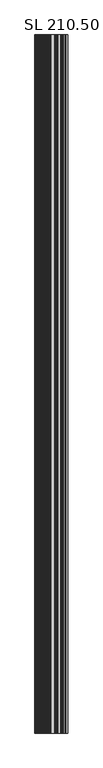
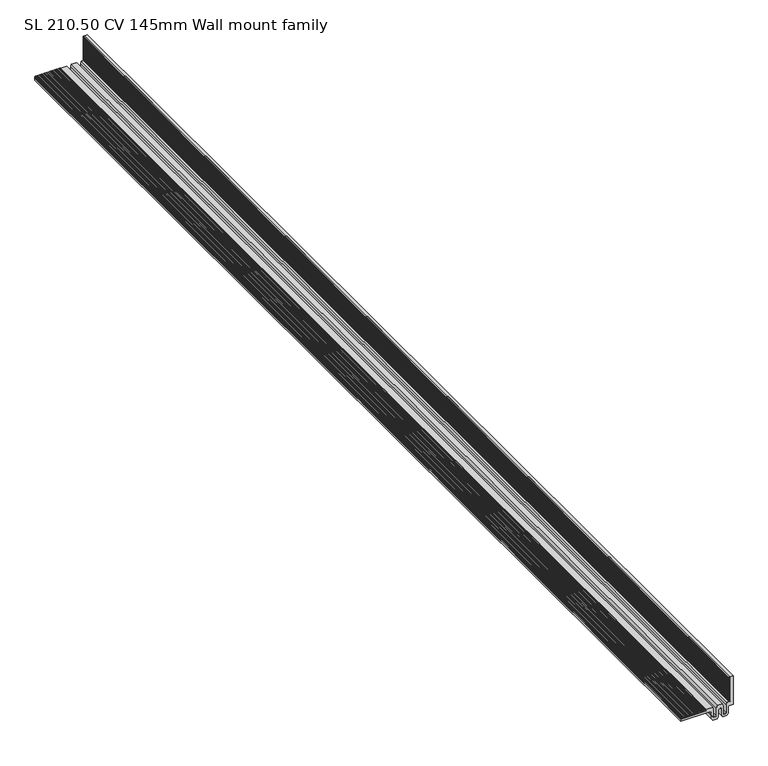
"""IFC4 building model written with IfcOpenShell, lengths in millimetres: proxy geometry, SL 210.50 CV 145mm Wall mount family."""

from ifc_helpers import new_model, si_unit, point, frame, frame_2d, origin, place, context, project, spatial, polyline, circle_curve, trimmed, segment, composite_curve, outline, extrude, source, transform, mapped, element, save


def sl_210_50_cv_145mm_wall_mount_family_b9eda200(model_context):
    return source(origin(), model_context, "Body", "SweptSolid", [
        extrude(outline(composite_curve([segment(polyline([(32.0453875, -9.403833), (10.040124, -9.403833)]), True, "CONTINUOUS"), segment(trimmed(circle_curve(frame_2d((10.040124, -12.4372925)), 3.0334595), [point((10.040124, -9.403833))], [point((7.0066645, -12.4372925))], True, "CARTESIAN"), True, "CONTINUOUS"), segment(polyline([(7.0066645, -12.4372925), (7.0066645, -15.1277339)]), True, "CONTINUOUS"), segment(trimmed(circle_curve(frame_2d((10.040124, -15.1277339)), 3.0334595), [point((7.0066645, -15.1277339))], [point((10.040124, -18.1611933))], True, "CARTESIAN"), True, "CONTINUOUS"), segment(polyline([(10.040124, -18.1611933), (32.0453875, -18.1611933), (38.6057515, -19.9126651), (38.6057515, -36.9895175), (34.1096765, -36.9895175), (34.1096765, -108.3707164), (27.7059714, -108.3707164), (27.7059714, -28.5557082)]), True, "CONTINUOUS"), segment(trimmed(circle_curve(frame_2d((22.5379464, -28.5557082)), 5.168025), [point((27.7059714, -28.5557082))], [point((22.5379464, -23.3876832))], True, "CARTESIAN"), True, "CONTINUOUS"), segment(polyline([(22.5379464, -23.3876832), (6.0505075, -23.3876832), (0.1421962, -19.8315936), (0.1421962, -7.8845329), (6.121538, -4.4328958), (24.6051564, -4.4328958)]), True, "CONTINUOUS"), segment(trimmed(circle_curve(frame_2d((24.6051564, -1.3320808)), 3.100815), [point((24.6051564, -4.4328958))], [point((27.7059714, -1.3320808))], True, "CARTESIAN"), True, "CONTINUOUS"), segment(polyline([(27.7059714, -1.3320808), (27.7059714, 0.8286964)]), True, "CONTINUOUS"), segment(trimmed(circle_curve(frame_2d((24.6051564, 0.8286964)), 3.100815), [point((27.7059714, 0.8286964))], [point((24.6051564, 3.9295114))], True, "CARTESIAN"), True, "CONTINUOUS"), segment(polyline([(24.6051564, 3.9295114), (6.121538, 3.9295114), (0.1421962, 7.3811485), (0.1421962, 19.3282093), (6.0505075, 22.8842988), (22.5379464, 22.8842988)]), True, "CONTINUOUS"), segment(trimmed(circle_curve(frame_2d((22.5379464, 28.0523238)), 5.168025), [point((22.5379464, 22.8842988))], [point((27.7059714, 28.0523238))], True, "CARTESIAN"), True, "CONTINUOUS"), segment(polyline([(27.7059714, 28.0523238), (27.7059714, 36.4879126), (34.1107315, 36.4879126), (38.6057515, 36.4861332), (109.6757515, 36.4861332), (109.6757515, 29.2761332), (38.6057515, 29.2761332), (38.6057515, 19.4092808), (32.0453875, 17.657809), (10.040124, 17.657809)]), True, "CONTINUOUS"), segment(trimmed(circle_curve(frame_2d((10.040124, 14.6243495)), 3.0334595), [point((10.040124, 17.657809))], [point((7.0066645, 14.6243495))], True, "CARTESIAN"), True, "CONTINUOUS"), segment(polyline([(7.0066645, 14.6243495), (7.0066645, 11.9339081)]), True, "CONTINUOUS"), segment(trimmed(circle_curve(frame_2d((10.040124, 11.9339081)), 3.0334595), [point((7.0066645, 11.9339081))], [point((10.040124, 8.9004486))], True, "CARTESIAN"), True, "CONTINUOUS"), segment(polyline([(10.040124, 8.9004486), (32.0453875, 8.9004486), (39.2617881, 7.0395105), (39.2617881, -7.5428948), (32.0453875, -9.403833)]), True, "CONTINUOUS")], self_intersect=False)), frame((0.0, 0.0, 0.0), z_axis=(0.0, 1.0, 0.0), x_axis=(0.0, 0.0, 1.0)), (0.0, 0.0, 1.0), 3090.0),
        extrude(outline(composite_curve([segment(polyline([(38.6057515, -48.2462522), (38.6057515, -48.7630547)]), True, "CONTINUOUS"), segment(trimmed(circle_curve(frame_2d((38.6057515, -49.2798572)), 0.5168025), [point((38.6057515, -48.7630547))], [point((38.6057515, -49.7966597))], True, "CARTESIAN"), True, "CONTINUOUS"), segment(polyline([(38.6057515, -49.7966597), (38.6057515, -50.3134622)]), True, "CONTINUOUS"), segment(trimmed(circle_curve(frame_2d((38.6057515, -50.8302647)), 0.5168025), [point((38.6057515, -50.3134622))], [point((38.6057515, -51.3470672))], True, "CARTESIAN"), True, "CONTINUOUS"), segment(polyline([(38.6057515, -51.3470672), (38.6057515, -51.8638698)]), True, "CONTINUOUS"), segment(trimmed(circle_curve(frame_2d((38.6057515, -52.3806723)), 0.5168025), [point((38.6057515, -51.8638698))], [point((38.6057515, -52.8974748))], True, "CARTESIAN"), True, "CONTINUOUS"), segment(polyline([(38.6057515, -52.8974748), (38.6057515, -53.4142773)]), True, "CONTINUOUS"), segment(trimmed(circle_curve(frame_2d((38.6057515, -53.9310798)), 0.5168025), [point((38.6057515, -53.4142773))], [point((38.6057515, -54.4478823))], True, "CARTESIAN"), True, "CONTINUOUS"), segment(polyline([(38.6057515, -54.4478823), (38.6057515, -54.9646848)]), True, "CONTINUOUS"), segment(trimmed(circle_curve(frame_2d((38.6057515, -55.4814873)), 0.5168025), [point((38.6057515, -54.9646848))], [point((38.6057515, -55.9982898))], True, "CARTESIAN"), True, "CONTINUOUS"), segment(polyline([(38.6057515, -55.9982898), (38.6057515, -56.5150924)]), True, "CONTINUOUS"), segment(trimmed(circle_curve(frame_2d((38.6057515, -57.0318949)), 0.5168025), [point((38.6057515, -56.5150924))], [point((38.6057515, -57.5486974))], True, "CARTESIAN"), True, "CONTINUOUS"), segment(polyline([(38.6057515, -57.5486974), (38.6057515, -58.0654999)]), True, "CONTINUOUS"), segment(trimmed(circle_curve(frame_2d((38.6057515, -58.5823024)), 0.5168025), [point((38.6057515, -58.0654999))], [point((38.6057515, -59.0991049))], True, "CARTESIAN"), True, "CONTINUOUS"), segment(polyline([(38.6057515, -59.0991049), (38.6057515, -59.6159074)]), True, "CONTINUOUS"), segment(trimmed(circle_curve(frame_2d((38.6057515, -60.1327099)), 0.5168025), [point((38.6057515, -59.6159074))], [point((38.6057515, -60.6495124))], True, "CARTESIAN"), True, "CONTINUOUS"), segment(polyline([(38.6057515, -60.6495124), (38.6057515, -61.166315)]), True, "CONTINUOUS"), segment(trimmed(circle_curve(frame_2d((38.6057515, -61.6831175)), 0.5168025), [point((38.6057515, -61.166315))], [point((38.6057515, -62.19992))], True, "CARTESIAN"), True, "CONTINUOUS"), segment(polyline([(38.6057515, -62.19992), (38.6057515, -62.7167225)]), True, "CONTINUOUS"), segment(trimmed(circle_curve(frame_2d((38.6057515, -63.233525)), 0.5168025), [point((38.6057515, -62.7167225))], [point((38.6057515, -63.7503275))], True, "CARTESIAN"), True, "CONTINUOUS"), segment(polyline([(38.6057515, -63.7503275), (38.6057515, -64.26713)]), True, "CONTINUOUS"), segment(trimmed(circle_curve(frame_2d((38.6057515, -64.7839325)), 0.5168025), [point((38.6057515, -64.26713))], [point((38.6057515, -65.300735))], True, "CARTESIAN"), True, "CONTINUOUS"), segment(polyline([(38.6057515, -65.300735), (38.6057515, -65.8175376)]), True, "CONTINUOUS"), segment(trimmed(circle_curve(frame_2d((38.6057515, -66.3343401)), 0.5168025), [point((38.6057515, -65.8175376))], [point((38.6057515, -66.8511426))], True, "CARTESIAN"), True, "CONTINUOUS"), segment(polyline([(38.6057515, -66.8511426), (38.6057515, -67.3679451)]), True, "CONTINUOUS"), segment(trimmed(circle_curve(frame_2d((38.6057515, -67.8847476)), 0.5168025), [point((38.6057515, -67.3679451))], [point((38.6057515, -68.4015501))], True, "CARTESIAN"), True, "CONTINUOUS"), segment(polyline([(38.6057515, -68.4015501), (38.6057515, -68.9183526)]), True, "CONTINUOUS"), segment(trimmed(circle_curve(frame_2d((38.6057515, -69.4351551)), 0.5168025), [point((38.6057515, -68.9183526))], [point((38.6057515, -69.9519576))], True, "CARTESIAN"), True, "CONTINUOUS"), segment(polyline([(38.6057515, -69.9519576), (38.6057515, -70.4687601)]), True, "CONTINUOUS"), segment(trimmed(circle_curve(frame_2d((38.6057515, -70.9855626)), 0.5168025), [point((38.6057515, -70.4687601))], [point((38.6057515, -71.5023651))], True, "CARTESIAN"), True, "CONTINUOUS"), segment(polyline([(38.6057515, -71.5023651), (38.6057515, -72.0191677)]), True, "CONTINUOUS"), segment(trimmed(circle_curve(frame_2d((38.6057515, -72.5359702)), 0.5168025), [point((38.6057515, -72.0191677))], [point((38.6057515, -73.0527727))], True, "CARTESIAN"), True, "CONTINUOUS"), segment(polyline([(38.6057515, -73.0527727), (38.6057515, -73.5695752)]), True, "CONTINUOUS"), segment(trimmed(circle_curve(frame_2d((38.6057515, -74.0863777)), 0.5168025), [point((38.6057515, -73.5695752))], [point((38.6057515, -74.6031802))], True, "CARTESIAN"), True, "CONTINUOUS"), segment(polyline([(38.6057515, -74.6031802), (38.6057515, -75.1199827)]), True, "CONTINUOUS"), segment(trimmed(circle_curve(frame_2d((38.6057515, -75.6367852)), 0.5168025), [point((38.6057515, -75.1199827))], [point((38.6057515, -76.1535877))], True, "CARTESIAN"), True, "CONTINUOUS"), segment(polyline([(38.6057515, -76.1535877), (38.6057515, -76.6703903)]), True, "CONTINUOUS"), segment(trimmed(circle_curve(frame_2d((38.6057515, -77.1871928)), 0.5168025), [point((38.6057515, -76.6703903))], [point((38.6057515, -77.7039953))], True, "CARTESIAN"), True, "CONTINUOUS"), segment(polyline([(38.6057515, -77.7039953), (38.6057515, -78.2207978)]), True, "CONTINUOUS"), segment(trimmed(circle_curve(frame_2d((38.6057515, -78.7376003)), 0.5168025), [point((38.6057515, -78.2207978))], [point((38.6057515, -79.2544028))], True, "CARTESIAN"), True, "CONTINUOUS"), segment(polyline([(38.6057515, -79.2544028), (38.6057515, -79.7712053)]), True, "CONTINUOUS"), segment(trimmed(circle_curve(frame_2d((38.6057515, -80.2880078)), 0.5168025), [point((38.6057515, -79.7712053))], [point((38.6057515, -80.8048103))], True, "CARTESIAN"), True, "CONTINUOUS"), segment(polyline([(38.6057515, -80.8048103), (38.6057515, -81.3216129)]), True, "CONTINUOUS"), segment(trimmed(circle_curve(frame_2d((38.6057515, -81.8384154)), 0.5168025), [point((38.6057515, -81.3216129))], [point((38.6057515, -82.3552179))], True, "CARTESIAN"), True, "CONTINUOUS"), segment(polyline([(38.6057515, -82.3552179), (38.6057515, -82.8720204)]), True, "CONTINUOUS"), segment(trimmed(circle_curve(frame_2d((38.6057515, -83.3888229)), 0.5168025), [point((38.6057515, -82.8720204))], [point((38.6057515, -83.9056254))], True, "CARTESIAN"), True, "CONTINUOUS"), segment(polyline([(38.6057515, -83.9056254), (38.6057515, -84.4224279)]), True, "CONTINUOUS"), segment(trimmed(circle_curve(frame_2d((38.6057515, -84.9392304)), 0.5168025), [point((38.6057515, -84.4224279))], [point((38.6057515, -85.4560329))], True, "CARTESIAN"), True, "CONTINUOUS"), segment(polyline([(38.6057515, -85.4560329), (38.6057515, -85.9728355)]), True, "CONTINUOUS"), segment(trimmed(circle_curve(frame_2d((38.6057515, -86.489638)), 0.5168025), [point((38.6057515, -85.9728355))], [point((38.6057515, -87.0064405))], True, "CARTESIAN"), True, "CONTINUOUS"), segment(polyline([(38.6057515, -87.0064405), (38.6057515, -87.523243)]), True, "CONTINUOUS"), segment(trimmed(circle_curve(frame_2d((38.6057515, -88.0400455)), 0.5168025), [point((38.6057515, -87.523243))], [point((38.6057515, -88.556848))], True, "CARTESIAN"), True, "CONTINUOUS"), segment(polyline([(38.6057515, -88.556848), (38.6057515, -89.0736505)]), True, "CONTINUOUS"), segment(trimmed(circle_curve(frame_2d((38.6057515, -89.590453)), 0.5168025), [point((38.6057515, -89.0736505))], [point((38.6057515, -90.1072555))], True, "CARTESIAN"), True, "CONTINUOUS"), segment(polyline([(38.6057515, -90.1072555), (38.6057515, -90.6240581)]), True, "CONTINUOUS"), segment(trimmed(circle_curve(frame_2d((38.6057515, -91.1408606)), 0.5168025), [point((38.6057515, -90.6240581))], [point((38.6057515, -91.6576631))], True, "CARTESIAN"), True, "CONTINUOUS"), segment(polyline([(38.6057515, -91.6576631), (38.6057515, -92.1744656)]), True, "CONTINUOUS"), segment(trimmed(circle_curve(frame_2d((38.6057515, -92.6912681)), 0.5168025), [point((38.6057515, -92.1744656))], [point((38.6057515, -93.2080706))], True, "CARTESIAN"), True, "CONTINUOUS"), segment(polyline([(38.6057515, -93.2080706), (38.6057515, -93.7248731)]), True, "CONTINUOUS"), segment(trimmed(circle_curve(frame_2d((38.6057515, -94.2416756)), 0.5168025), [point((38.6057515, -93.7248731))], [point((38.6057515, -94.7584781))], True, "CARTESIAN"), True, "CONTINUOUS"), segment(polyline([(38.6057515, -94.7584781), (38.6057515, -95.2752806)]), True, "CONTINUOUS"), segment(trimmed(circle_curve(frame_2d((38.6057515, -95.7920831)), 0.5168025), [point((38.6057515, -95.2752806))], [point((38.6057515, -96.3088856))], True, "CARTESIAN"), True, "CONTINUOUS"), segment(polyline([(38.6057515, -96.3088856), (38.6057515, -96.8256882)]), True, "CONTINUOUS"), segment(trimmed(circle_curve(frame_2d((38.6057515, -97.3424907)), 0.5168025), [point((38.6057515, -96.8256882))], [point((38.6057515, -97.8592932))], True, "CARTESIAN"), True, "CONTINUOUS"), segment(polyline([(38.6057515, -97.8592932), (38.6057515, -98.3760957)]), True, "CONTINUOUS"), segment(trimmed(circle_curve(frame_2d((38.6057515, -98.8928982)), 0.5168025), [point((38.6057515, -98.3760957))], [point((38.6057515, -99.4097007))], True, "CARTESIAN"), True, "CONTINUOUS"), segment(polyline([(38.6057515, -99.4097007), (38.6057515, -99.9265032)]), True, "CONTINUOUS"), segment(trimmed(circle_curve(frame_2d((38.6057515, -100.4433057)), 0.5168025), [point((38.6057515, -99.9265032))], [point((38.6057515, -100.9601082))], True, "CARTESIAN"), True, "CONTINUOUS"), segment(polyline([(38.6057515, -100.9601082), (38.6057515, -101.4769108)]), True, "CONTINUOUS"), segment(trimmed(circle_curve(frame_2d((38.6057515, -101.9937133)), 0.5168025), [point((38.6057515, -101.4769108))], [point((38.6057515, -102.5105158))], True, "CARTESIAN"), True, "CONTINUOUS"), segment(polyline([(38.6057515, -102.5105158), (38.6057515, -103.0273183)]), True, "CONTINUOUS"), segment(trimmed(circle_curve(frame_2d((38.6057515, -103.5441208)), 0.5168025), [point((38.6057515, -103.0273183))], [point((38.6057515, -104.0609233))], True, "CARTESIAN"), True, "CONTINUOUS"), segment(polyline([(38.6057515, -104.0609233), (38.6057515, -104.5777258)]), True, "CONTINUOUS"), segment(trimmed(circle_curve(frame_2d((38.6057515, -105.0945283)), 0.5168025), [point((38.6057515, -104.5777258))], [point((38.6057515, -105.6113308))], True, "CARTESIAN"), True, "CONTINUOUS"), segment(polyline([(38.6057515, -105.6113308), (38.6057515, -106.1281334)]), True, "CONTINUOUS"), segment(trimmed(circle_curve(frame_2d((38.6057515, -106.6449359)), 0.5168025), [point((38.6057515, -106.1281334))], [point((38.6057515, -107.1617384))], True, "CARTESIAN"), True, "CONTINUOUS"), segment(polyline([(38.6057515, -107.1617384), (38.6057515, -108.3707164), (34.1107315, -108.3707164), (34.1107315, -36.991297), (38.6057515, -36.991297), (38.6057515, -37.910202)]), True, "CONTINUOUS"), segment(trimmed(circle_curve(frame_2d((38.6057515, -38.4270045)), 0.5168025), [point((38.6057515, -37.910202))], [point((38.6057515, -38.943807))], True, "CARTESIAN"), True, "CONTINUOUS"), segment(polyline([(38.6057515, -38.943807), (38.6057515, -39.4606095)]), True, "CONTINUOUS"), segment(trimmed(circle_curve(frame_2d((38.6057515, -39.977412)), 0.5168025), [point((38.6057515, -39.4606095))], [point((38.6057515, -40.4942145))], True, "CARTESIAN"), True, "CONTINUOUS"), segment(polyline([(38.6057515, -40.4942145), (38.6057515, -41.0110171)]), True, "CONTINUOUS"), segment(trimmed(circle_curve(frame_2d((38.6057515, -41.5278196)), 0.5168025), [point((38.6057515, -41.0110171))], [point((38.6057515, -42.0446221))], True, "CARTESIAN"), True, "CONTINUOUS"), segment(polyline([(38.6057515, -42.0446221), (38.6057515, -42.5614246)]), True, "CONTINUOUS"), segment(trimmed(circle_curve(frame_2d((38.6057515, -43.0782271)), 0.5168025), [point((38.6057515, -42.5614246))], [point((38.6057515, -43.5950296))], True, "CARTESIAN"), True, "CONTINUOUS"), segment(polyline([(38.6057515, -43.5950296), (38.6057515, -44.1118321)]), True, "CONTINUOUS"), segment(trimmed(circle_curve(frame_2d((38.6057515, -44.6286346)), 0.5168025), [point((38.6057515, -44.1118321))], [point((38.6057515, -45.1454371))], True, "CARTESIAN"), True, "CONTINUOUS"), segment(polyline([(38.6057515, -45.1454371), (38.6057515, -45.6622397)]), True, "CONTINUOUS"), segment(trimmed(circle_curve(frame_2d((38.6057515, -46.1790422)), 0.5168025), [point((38.6057515, -45.6622397))], [point((38.6057515, -46.6958447))], True, "CARTESIAN"), True, "CONTINUOUS"), segment(polyline([(38.6057515, -46.6958447), (38.6057515, -47.2126472)]), True, "CONTINUOUS"), segment(trimmed(circle_curve(frame_2d((38.6057515, -47.7294497)), 0.5168025), [point((38.6057515, -47.2126472))], [point((38.6057515, -48.2462522))], True, "CARTESIAN"), True, "CONTINUOUS")], self_intersect=False)), frame((0.0, 0.0, 0.0), z_axis=(0.0, 1.0, 0.0), x_axis=(0.0, 0.0, 1.0)), (0.0, 0.0, 1.0), 3090.0),
        extrude(outline(composite_curve([segment(polyline([(109.6757515, 29.2526912), (109.6758083, 25.1326912), (108.4969462, 25.1326912)]), True, "CONTINUOUS"), segment(trimmed(circle_curve(frame_2d((107.9819462, 25.1326912)), 0.515), [point((108.4969462, 25.1326912))], [point((107.4669462, 25.1326912))], True, "CARTESIAN"), True, "CONTINUOUS"), segment(polyline([(107.4669462, 25.1326912), (106.9519462, 25.1326912)]), True, "CONTINUOUS"), segment(trimmed(circle_curve(frame_2d((106.4369462, 25.1326912)), 0.515), [point((106.9519462, 25.1326912))], [point((105.9219462, 25.1326912))], True, "CARTESIAN"), True, "CONTINUOUS"), segment(polyline([(105.9219462, 25.1326912), (105.4069462, 25.1326912)]), True, "CONTINUOUS"), segment(trimmed(circle_curve(frame_2d((104.8919462, 25.1326912)), 0.515), [point((105.4069462, 25.1326912))], [point((104.3769462, 25.1326912))], True, "CARTESIAN"), True, "CONTINUOUS"), segment(polyline([(104.3769462, 25.1326912), (103.8619462, 25.1326912)]), True, "CONTINUOUS"), segment(trimmed(circle_curve(frame_2d((103.3469462, 25.1326912)), 0.515), [point((103.8619462, 25.1326912))], [point((102.8319462, 25.1326912))], True, "CARTESIAN"), True, "CONTINUOUS"), segment(polyline([(102.8319462, 25.1326912), (102.3169461, 25.1326912)]), True, "CONTINUOUS"), segment(trimmed(circle_curve(frame_2d((101.8019461, 25.1326912)), 0.515), [point((102.3169461, 25.1326912))], [point((101.2869461, 25.1326912))], True, "CARTESIAN"), True, "CONTINUOUS"), segment(polyline([(101.2869461, 25.1326912), (100.7719461, 25.1326912)]), True, "CONTINUOUS"), segment(trimmed(circle_curve(frame_2d((100.2569461, 25.1326912)), 0.515), [point((100.7719461, 25.1326912))], [point((99.7419461, 25.1326912))], True, "CARTESIAN"), True, "CONTINUOUS"), segment(polyline([(99.7419461, 25.1326912), (99.2269461, 25.1326912)]), True, "CONTINUOUS"), segment(trimmed(circle_curve(frame_2d((98.7119461, 25.1326912)), 0.515), [point((99.2269461, 25.1326912))], [point((98.1969461, 25.1326912))], True, "CARTESIAN"), True, "CONTINUOUS"), segment(polyline([(98.1969461, 25.1326912), (97.681946, 25.1326912)]), True, "CONTINUOUS"), segment(trimmed(circle_curve(frame_2d((97.166946, 25.1326912)), 0.515), [point((97.681946, 25.1326912))], [point((96.651946, 25.1326912))], True, "CARTESIAN"), True, "CONTINUOUS"), segment(polyline([(96.651946, 25.1326912), (96.136946, 25.1326912)]), True, "CONTINUOUS"), segment(trimmed(circle_curve(frame_2d((95.621946, 25.1326912)), 0.515), [point((96.136946, 25.1326912))], [point((95.106946, 25.1326912))], True, "CARTESIAN"), True, "CONTINUOUS"), segment(polyline([(95.106946, 25.1326912), (94.591946, 25.1326912)]), True, "CONTINUOUS"), segment(trimmed(circle_curve(frame_2d((94.076946, 25.1326912)), 0.515), [point((94.591946, 25.1326912))], [point((93.561946, 25.1326912))], True, "CARTESIAN"), True, "CONTINUOUS"), segment(polyline([(93.561946, 25.1326912), (93.0469459, 25.1326912)]), True, "CONTINUOUS"), segment(trimmed(circle_curve(frame_2d((92.5319459, 25.1326912)), 0.515), [point((93.0469459, 25.1326912))], [point((92.0169459, 25.1326912))], True, "CARTESIAN"), True, "CONTINUOUS"), segment(polyline([(92.0169459, 25.1326912), (91.5019459, 25.1326912)]), True, "CONTINUOUS"), segment(trimmed(circle_curve(frame_2d((90.9869459, 25.1326912)), 0.515), [point((91.5019459, 25.1326912))], [point((90.4719459, 25.1326912))], True, "CARTESIAN"), True, "CONTINUOUS"), segment(polyline([(90.4719459, 25.1326912), (89.9569459, 25.1326912)]), True, "CONTINUOUS"), segment(trimmed(circle_curve(frame_2d((89.4419459, 25.1326912)), 0.515), [point((89.9569459, 25.1326912))], [point((88.9269459, 25.1326912))], True, "CARTESIAN"), True, "CONTINUOUS"), segment(polyline([(88.9269459, 25.1326912), (88.4119458, 25.1326912)]), True, "CONTINUOUS"), segment(trimmed(circle_curve(frame_2d((87.8969458, 25.1326912)), 0.515), [point((88.4119458, 25.1326912))], [point((87.3819458, 25.1326912))], True, "CARTESIAN"), True, "CONTINUOUS"), segment(polyline([(87.3819458, 25.1326912), (86.8669458, 25.1326912)]), True, "CONTINUOUS"), segment(trimmed(circle_curve(frame_2d((86.3519458, 25.1326912)), 0.515), [point((86.8669458, 25.1326912))], [point((85.8369458, 25.1326912))], True, "CARTESIAN"), True, "CONTINUOUS"), segment(polyline([(85.8369458, 25.1326912), (85.3219458, 25.1326912)]), True, "CONTINUOUS"), segment(trimmed(circle_curve(frame_2d((84.8069458, 25.1326912)), 0.515), [point((85.3219458, 25.1326912))], [point((84.2919458, 25.1326912))], True, "CARTESIAN"), True, "CONTINUOUS"), segment(polyline([(84.2919458, 25.1326912), (83.7769458, 25.1326912)]), True, "CONTINUOUS"), segment(trimmed(circle_curve(frame_2d((83.2619458, 25.1326912)), 0.515), [point((83.7769458, 25.1326912))], [point((82.7469458, 25.1326912))], True, "CARTESIAN"), True, "CONTINUOUS"), segment(polyline([(82.7469458, 25.1326912), (82.2319457, 25.1326912)]), True, "CONTINUOUS"), segment(trimmed(circle_curve(frame_2d((81.7169457, 25.1326912)), 0.515), [point((82.2319457, 25.1326912))], [point((81.2019457, 25.1326912))], True, "CARTESIAN"), True, "CONTINUOUS"), segment(polyline([(81.2019457, 25.1326912), (80.6869457, 25.1326912)]), True, "CONTINUOUS"), segment(trimmed(circle_curve(frame_2d((80.1719457, 25.1326912)), 0.515), [point((80.6869457, 25.1326912))], [point((79.6569457, 25.1326912))], True, "CARTESIAN"), True, "CONTINUOUS"), segment(polyline([(79.6569457, 25.1326912), (79.1419457, 25.1326912)]), True, "CONTINUOUS"), segment(trimmed(circle_curve(frame_2d((78.6269457, 25.1326912)), 0.515), [point((79.1419457, 25.1326912))], [point((78.1119457, 25.1326912))], True, "CARTESIAN"), True, "CONTINUOUS"), segment(polyline([(78.1119457, 25.1326912), (77.5969456, 25.1326912)]), True, "CONTINUOUS"), segment(trimmed(circle_curve(frame_2d((77.0819456, 25.1326912)), 0.515), [point((77.5969456, 25.1326912))], [point((76.5669456, 25.1326912))], True, "CARTESIAN"), True, "CONTINUOUS"), segment(polyline([(76.5669456, 25.1326912), (76.0519456, 25.1326912)]), True, "CONTINUOUS"), segment(trimmed(circle_curve(frame_2d((75.5369456, 25.1326912)), 0.515), [point((76.0519456, 25.1326912))], [point((75.0219456, 25.1326912))], True, "CARTESIAN"), True, "CONTINUOUS"), segment(polyline([(75.0219456, 25.1326912), (74.5069456, 25.1326912)]), True, "CONTINUOUS"), segment(trimmed(circle_curve(frame_2d((73.9919456, 25.1326912)), 0.515), [point((74.5069456, 25.1326912))], [point((73.4769456, 25.1326912))], True, "CARTESIAN"), True, "CONTINUOUS"), segment(polyline([(73.4769456, 25.1326912), (72.9619455, 25.1326912)]), True, "CONTINUOUS"), segment(trimmed(circle_curve(frame_2d((72.4469455, 25.1326912)), 0.515), [point((72.9619455, 25.1326912))], [point((71.9319455, 25.1326912))], True, "CARTESIAN"), True, "CONTINUOUS"), segment(polyline([(71.9319455, 25.1326912), (71.4169455, 25.1326912)]), True, "CONTINUOUS"), segment(trimmed(circle_curve(frame_2d((70.9019455, 25.1326912)), 0.515), [point((71.4169455, 25.1326912))], [point((70.3869455, 25.1326912))], True, "CARTESIAN"), True, "CONTINUOUS"), segment(polyline([(70.3869455, 25.1326912), (69.8719455, 25.1326912)]), True, "CONTINUOUS"), segment(trimmed(circle_curve(frame_2d((69.3569455, 25.1326912)), 0.515), [point((69.8719455, 25.1326912))], [point((68.8419455, 25.1326912))], True, "CARTESIAN"), True, "CONTINUOUS"), segment(polyline([(68.8419455, 25.1326912), (68.3269454, 25.1326912)]), True, "CONTINUOUS"), segment(trimmed(circle_curve(frame_2d((67.8119454, 25.1326912)), 0.515), [point((68.3269454, 25.1326912))], [point((67.2969454, 25.1326912))], True, "CARTESIAN"), True, "CONTINUOUS"), segment(polyline([(67.2969454, 25.1326912), (66.7819454, 25.1326912)]), True, "CONTINUOUS"), segment(trimmed(circle_curve(frame_2d((66.2669454, 25.1326912)), 0.515), [point((66.7819454, 25.1326912))], [point((65.7519454, 25.1326912))], True, "CARTESIAN"), True, "CONTINUOUS"), segment(polyline([(65.7519454, 25.1326912), (65.2369454, 25.1326912)]), True, "CONTINUOUS"), segment(trimmed(circle_curve(frame_2d((64.7219454, 25.1326912)), 0.515), [point((65.2369454, 25.1326912))], [point((64.2069454, 25.1326912))], True, "CARTESIAN"), True, "CONTINUOUS"), segment(polyline([(64.2069454, 25.1326912), (63.6919453, 25.1326912)]), True, "CONTINUOUS"), segment(trimmed(circle_curve(frame_2d((63.1769453, 25.1326912)), 0.515), [point((63.6919453, 25.1326912))], [point((62.6619453, 25.1326912))], True, "CARTESIAN"), True, "CONTINUOUS"), segment(polyline([(62.6619453, 25.1326912), (62.1469453, 25.1326912)]), True, "CONTINUOUS"), segment(trimmed(circle_curve(frame_2d((61.6319453, 25.1326912)), 0.515), [point((62.1469453, 25.1326912))], [point((61.1169453, 25.1326912))], True, "CARTESIAN"), True, "CONTINUOUS"), segment(polyline([(61.1169453, 25.1326912), (60.6019453, 25.1326912)]), True, "CONTINUOUS"), segment(trimmed(circle_curve(frame_2d((60.0869453, 25.1326912)), 0.515), [point((60.6019453, 25.1326912))], [point((59.5719453, 25.1326912))], True, "CARTESIAN"), True, "CONTINUOUS"), segment(polyline([(59.5719453, 25.1326912), (59.0569453, 25.1326912)]), True, "CONTINUOUS"), segment(trimmed(circle_curve(frame_2d((58.5419453, 25.1326912)), 0.515), [point((59.0569453, 25.1326912))], [point((58.0269453, 25.1326912))], True, "CARTESIAN"), True, "CONTINUOUS"), segment(polyline([(58.0269453, 25.1326912), (57.5119452, 25.1326912)]), True, "CONTINUOUS"), segment(trimmed(circle_curve(frame_2d((56.9969452, 25.1326912)), 0.515), [point((57.5119452, 25.1326912))], [point((56.4819452, 25.1326912))], True, "CARTESIAN"), True, "CONTINUOUS"), segment(polyline([(56.4819452, 25.1326912), (55.9669452, 25.1326912)]), True, "CONTINUOUS"), segment(trimmed(circle_curve(frame_2d((55.4519452, 25.1326912)), 0.515), [point((55.9669452, 25.1326912))], [point((54.9369452, 25.1326912))], True, "CARTESIAN"), True, "CONTINUOUS"), segment(polyline([(54.9369452, 25.1326912), (54.4219452, 25.1326912)]), True, "CONTINUOUS"), segment(trimmed(circle_curve(frame_2d((53.9069452, 25.1326912)), 0.515), [point((54.4219452, 25.1326912))], [point((53.3919452, 25.1326912))], True, "CARTESIAN"), True, "CONTINUOUS"), segment(polyline([(53.3919452, 25.1326912), (52.8769451, 25.1326912)]), True, "CONTINUOUS"), segment(trimmed(circle_curve(frame_2d((52.3619451, 25.1326912)), 0.515), [point((52.8769451, 25.1326912))], [point((51.8469451, 25.1326912))], True, "CARTESIAN"), True, "CONTINUOUS"), segment(polyline([(51.8469451, 25.1326912), (51.3319451, 25.1326912)]), True, "CONTINUOUS"), segment(trimmed(circle_curve(frame_2d((50.8169451, 25.1326912)), 0.515), [point((51.3319451, 25.1326912))], [point((50.3019451, 25.1326912))], True, "CARTESIAN"), True, "CONTINUOUS"), segment(polyline([(50.3019451, 25.1326912), (49.7869451, 25.1326912)]), True, "CONTINUOUS"), segment(trimmed(circle_curve(frame_2d((49.2719451, 25.1326912)), 0.515), [point((49.7869451, 25.1326912))], [point((48.7569451, 25.1326912))], True, "CARTESIAN"), True, "CONTINUOUS"), segment(polyline([(48.7569451, 25.1326912), (48.241945, 25.1326912)]), True, "CONTINUOUS"), segment(trimmed(circle_curve(frame_2d((47.726945, 25.1326912)), 0.515), [point((48.241945, 25.1326912))], [point((47.211945, 25.1326912))], True, "CARTESIAN"), True, "CONTINUOUS"), segment(polyline([(47.211945, 25.1326912), (46.696945, 25.1326912)]), True, "CONTINUOUS"), segment(trimmed(circle_curve(frame_2d((46.181945, 25.1326912)), 0.515), [point((46.696945, 25.1326912))], [point((45.666945, 25.1326912))], True, "CARTESIAN"), True, "CONTINUOUS"), segment(polyline([(45.666945, 25.1326912), (45.151945, 25.1326912)]), True, "CONTINUOUS"), segment(trimmed(circle_curve(frame_2d((44.636945, 25.1326912)), 0.515), [point((45.151945, 25.1326912))], [point((44.121945, 25.1326912))], True, "CARTESIAN"), True, "CONTINUOUS"), segment(polyline([(44.121945, 25.1326912), (43.6069449, 25.1326912)]), True, "CONTINUOUS"), segment(trimmed(circle_curve(frame_2d((43.0919449, 25.1326912)), 0.515), [point((43.6069449, 25.1326912))], [point((42.5769449, 25.1326912))], True, "CARTESIAN"), True, "CONTINUOUS"), segment(polyline([(42.5769449, 25.1326912), (42.0619449, 25.1326912)]), True, "CONTINUOUS"), segment(trimmed(circle_curve(frame_2d((41.5469449, 25.1326912)), 0.515), [point((42.0619449, 25.1326912))], [point((41.0319449, 25.1326912))], True, "CARTESIAN"), True, "CONTINUOUS"), segment(polyline([(41.0319449, 25.1326912), (40.5169449, 25.1326912)]), True, "CONTINUOUS"), segment(trimmed(circle_curve(frame_2d((40.0019449, 25.1326912)), 0.515), [point((40.5169449, 25.1326912))], [point((39.4869449, 25.1326912))], True, "CARTESIAN"), True, "CONTINUOUS"), segment(polyline([(39.4869449, 25.1326912), (38.6057515, 25.1326912), (38.6057515, 29.251711), (109.6757515, 29.2526912)]), True, "CONTINUOUS")], self_intersect=False)), frame((0.0, 0.0, 0.0), z_axis=(0.0, 1.0, 0.0), x_axis=(0.0, 0.0, 1.0)), (0.0, 0.0, 1.0), 3090.0),
    ])


if __name__ == "__main__":
    model = new_model("IFC4")
    model_context = context("Model", 3, world=origin())
    ifc_project = project(units=[si_unit("LENGTHUNIT", "METRE", prefix="MILLI")], contexts=[model_context])
    site = spatial("IfcSite", under=ifc_project)
    building = spatial("IfcBuilding", under=site)
    placement = place(None, origin())
    sl_210_50_cv_145mm_wall_mount_family_shape = sl_210_50_cv_145mm_wall_mount_family_b9eda200(model_context)
    element("IfcBuildingElementProxy", 1, Name="SL 210.50 CV 145mm Wall mount family", ObjectType="SL 210.50 CV 145mm Wall mount family", at=placement, inside=building, context=model_context, shape_type="MappedRepresentation", body=[
        mapped(sl_210_50_cv_145mm_wall_mount_family_shape, transform((0.0, 0.0, 0.0), x_axis=(1.0, 0.0, 0.0), y_axis=(0.0, 1.0, 0.0), z_axis=(0.0, 0.0, 1.0))),
    ])
    save(model, "model.ifc")
